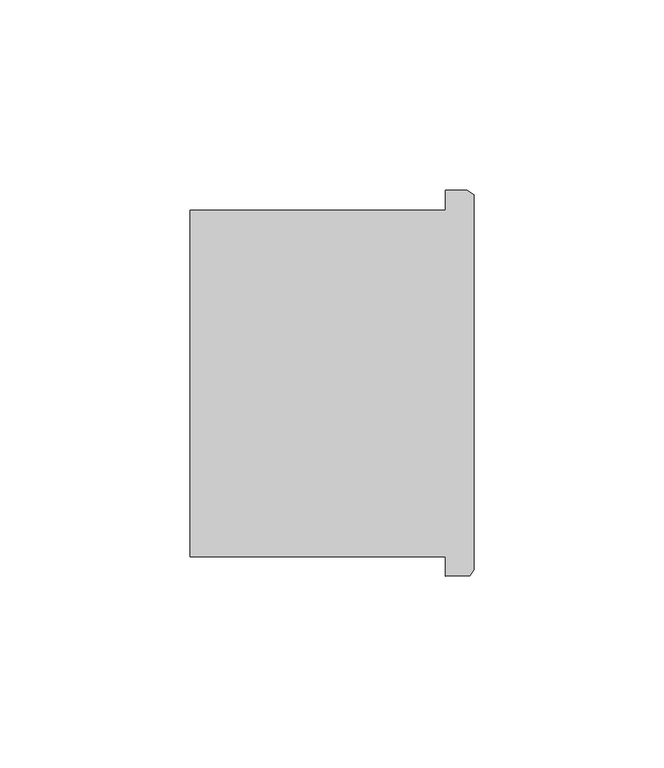
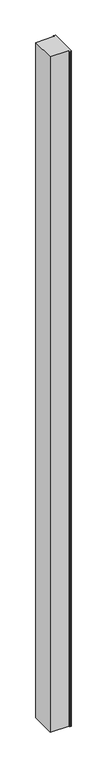
"""IFC4 building model written with IfcOpenShell, lengths in millimetres: column geometry."""

from ifc_helpers import new_model, si_unit, frame, origin, place, context, project, spatial, polyline, outline, extrude, source, transform, mapped, element, save


def column_0c3adf9e(model_context):
    return source(origin(), model_context, "Body", "SweptSolid", [
        extrude(outline(polyline([(44126.6398898, -56687.9816962), (44126.6398898, -56682.8905202), (44059.3509718, -56682.8905202), (44059.3509718, -56591.6836922), (44126.6398898, -56591.6836922), (44126.6398898, -56586.3816962), (44132.3325632, -56586.3816962), (44134.0998952, -56587.6219274), (44134.0998952, -56686.338367), (44133.0209032, -56687.8266546), (44126.6398898, -56687.9816962)])), frame((0.0, 0.0, 4419.602286), z_axis=(0.0, 0.0, 1.0), x_axis=(1.0, 0.0, 0.0)), (0.0, 0.0, 1.0), 2590.8000822),
        extrude(outline(polyline([(44126.6398898, -56687.9816962), (44126.6398898, -56682.8905202), (44059.3509718, -56682.8905202), (44059.3509718, -56591.6836922), (44126.6398898, -56591.6836922), (44126.6398898, -56586.3816962), (44132.3325632, -56586.3816962), (44134.0998952, -56587.6219274), (44134.0998952, -56686.338367), (44133.0209032, -56687.8266546), (44126.6398898, -56687.9816962)])), frame((0.0, 0.0, 4419.602286), z_axis=(0.0, 0.0, 1.0), x_axis=(1.0, 0.0, 0.0)), (0.0, 0.0, 1.0), 2590.8000822),
    ])


if __name__ == "__main__":
    model = new_model("IFC4")
    model_context = context("Model", 3, world=origin())
    ifc_project = project(units=[si_unit("LENGTHUNIT", "METRE", prefix="MILLI")], contexts=[model_context])
    site = spatial("IfcSite", under=ifc_project)
    building = spatial("IfcBuilding", under=site)
    placement = place(None, origin())
    column_shape = column_0c3adf9e(model_context)
    element("IfcColumn", 1, at=placement, inside=building, context=model_context, shape_type="MappedRepresentation", body=[
        mapped(column_shape, transform((0.0, 0.0, 0.0), x_axis=(1.0, 0.0, 0.0), y_axis=(0.0, 1.0, 0.0), z_axis=(0.0, 0.0, 1.0))),
    ])
    save(model, "model.ifc")
